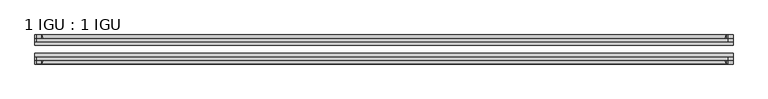
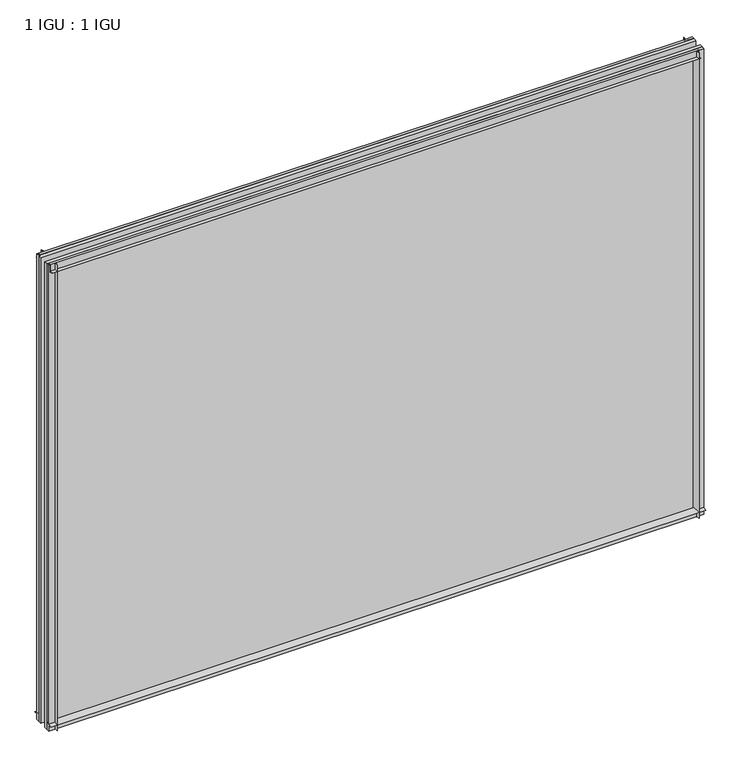
"""IFC4 building model written with IfcOpenShell, lengths in millimetres: plate geometry, 1 IGU : 1 IGU."""

from ifc_helpers import new_model, si_unit, point, frame, frame_2d, origin, place, context, project, spatial, polyline, circle_curve, trimmed, segment, composite_curve, outline, extrude, source, transform, mapped, element, save


def plate_1_igu_1_igu_4416955e(model_context):
    return source(origin(), model_context, "Body", "SweptSolid", [
        extrude(outline(composite_curve([segment(trimmed(circle_curve(frame_2d((-28.0741797, 32.2797688)), 32.7673262), [point((-44.45, 3.8979053))], [point((-33.7058, 1.48e-05))], True, "CARTESIAN"), True, "CONTINUOUS"), segment(polyline([(-33.7058, 1.48e-05), (-39.6748, 1.48e-05), (-39.6748, -10.31875), (-44.45, -10.31875), (-44.45, 3.8979053)]), True, "CONTINUOUS")], self_intersect=False)), frame((-563.5625, 0.0, 0.0), z_axis=(1.0, 0.0, 0.0), x_axis=(0.0, 1.0, 0.0)), (0.0, 0.0, 1.0), 1127.125),
        extrude(outline(composite_curve([segment(trimmed(circle_curve(frame_2d((-86.2258203, 32.2797602)), 32.7673262), [point((-80.5942354, 0.0))], [point((-69.85, 3.8978967))], True, "CARTESIAN"), True, "CONTINUOUS"), segment(polyline([(-69.85, 3.8978967), (-69.85, -10.31875), (-74.6252, -10.31875), (-74.6252, 0.0), (-80.5942354, 0.0)]), True, "CONTINUOUS")], self_intersect=False)), frame((-563.5625, 0.0, 0.0), z_axis=(1.0, 0.0, 0.0), x_axis=(0.0, 1.0, 0.0)), (0.0, 0.0, 1.0), 1127.125),
        extrude(outline(composite_curve([segment(polyline([(-80.5942, 825.5), (-74.6252, 825.5), (-74.6252, 836.6125), (-69.85, 836.6125), (-69.85, 821.6021095)]), True, "CONTINUOUS"), segment(trimmed(circle_curve(frame_2d((-86.2258203, 793.220246)), 32.7673262), [point((-69.85, 821.6021095))], [point((-80.5942, 825.5))], True, "CARTESIAN"), True, "CONTINUOUS")], self_intersect=False)), frame((-560.9627386, 0.0, 0.0), z_axis=(1.0, 0.0, 0.0), x_axis=(0.0, 1.0, 0.0)), (0.0, 0.0, 1.0), 1115.9587001),
        extrude(outline(composite_curve([segment(polyline([(-39.6748, 836.6125), (-39.6748, 825.5), (-33.7058, 825.5)]), True, "CONTINUOUS"), segment(trimmed(circle_curve(frame_2d((-28.0741797, 793.220246)), 32.7673262), [point((-33.7058, 825.5))], [point((-44.45, 821.6021095))], True, "CARTESIAN"), True, "CONTINUOUS"), segment(polyline([(-44.45, 821.6021095), (-44.45, 836.6125), (-39.6748, 836.6125)]), True, "CONTINUOUS")], self_intersect=False)), frame((-560.9627386, 0.0, 0.0), z_axis=(1.0, 0.0, 0.0), x_axis=(0.0, 1.0, 0.0)), (0.0, 0.0, 1.0), 1115.9587001),
        extrude(outline(composite_curve([segment(polyline([(563.5625, -39.6748), (563.5625, -44.45), (548.5521095, -44.45)]), True, "CONTINUOUS"), segment(trimmed(circle_curve(frame_2d((520.170246, -28.0741797)), 32.7673262), [point((548.5521095, -44.45))], [point((552.45, -33.7058))], True, "CARTESIAN"), True, "CONTINUOUS"), segment(polyline([(552.45, -33.7058), (552.45, -39.6748), (563.5625, -39.6748)]), True, "CONTINUOUS")], self_intersect=False)), frame((0.0, 0.0, -10.31875), z_axis=(0.0, 0.0, 1.0), x_axis=(1.0, 0.0, 0.0)), (0.0, 0.0, 1.0), 846.93125),
        extrude(outline(composite_curve([segment(polyline([(563.5625, -69.85), (563.5625, -74.6252), (552.45, -74.6252), (552.45, -80.5942)]), True, "CONTINUOUS"), segment(trimmed(circle_curve(frame_2d((520.170246, -86.2258203)), 32.7673262), [point((552.45, -80.5942))], [point((548.5521095, -69.85))], True, "CARTESIAN"), True, "CONTINUOUS"), segment(polyline([(548.5521095, -69.85), (563.5625, -69.85)]), True, "CONTINUOUS")], self_intersect=False)), frame((0.0, 0.0, -10.31875), z_axis=(0.0, 0.0, 1.0), x_axis=(1.0, 0.0, 0.0)), (0.0, 0.0, 1.0), 846.93125),
        extrude(outline(composite_curve([segment(polyline([(-563.5625, -39.6748), (-552.45, -39.6748), (-552.45, -33.7058)]), True, "CONTINUOUS"), segment(trimmed(circle_curve(frame_2d((-520.170246, -28.0741797)), 32.7673262), [point((-552.45, -33.7058))], [point((-548.5521095, -44.45))], True, "CARTESIAN"), True, "CONTINUOUS"), segment(polyline([(-548.5521095, -44.45), (-563.5625, -44.45), (-563.5625, -39.6748)]), True, "CONTINUOUS")], self_intersect=False)), frame((0.0, 0.0, -10.31875), z_axis=(0.0, 0.0, 1.0), x_axis=(1.0, 0.0, 0.0)), (0.0, 0.0, 1.0), 846.93125),
        extrude(outline(composite_curve([segment(polyline([(-563.5625, -74.6252), (-563.5625, -69.85), (-548.5521095, -69.85)]), True, "CONTINUOUS"), segment(trimmed(circle_curve(frame_2d((-520.170246, -86.2258203)), 32.7673262), [point((-548.5521095, -69.85))], [point((-552.45, -80.5942))], True, "CARTESIAN"), True, "CONTINUOUS"), segment(polyline([(-552.45, -80.5942), (-552.45, -74.6252), (-563.5625, -74.6252)]), True, "CONTINUOUS")], self_intersect=False)), frame((0.0, 0.0, -10.31875), z_axis=(0.0, 0.0, 1.0), x_axis=(1.0, 0.0, 0.0)), (0.0, 0.0, 1.0), 846.93125),
        extrude(outline(polyline([(-563.5625, -69.85), (-563.5625, -63.5508), (563.5625, -63.5508), (563.5625, -69.85), (-563.5625, -69.85)])), frame((0.0, 0.0, -10.31875), z_axis=(0.0, 0.0, 1.0), x_axis=(1.0, 0.0, 0.0)), (0.0, 0.0, 1.0), 846.93125),
        extrude(outline(polyline([(563.5625, -50.7492), (-563.5625, -50.7492), (-563.5625, -44.45), (563.5625, -44.45), (563.5625, -50.7492)])), frame((0.0, 0.0, -10.31875), z_axis=(0.0, 0.0, 1.0), x_axis=(1.0, 0.0, 0.0)), (0.0, 0.0, 1.0), 846.93125),
    ])


if __name__ == "__main__":
    model = new_model("IFC4")
    model_context = context("Model", 3, world=origin())
    ifc_project = project(units=[si_unit("LENGTHUNIT", "METRE", prefix="MILLI")], contexts=[model_context])
    site = spatial("IfcSite", under=ifc_project)
    building = spatial("IfcBuilding", under=site)
    placement = place(None, origin())
    plate_1_igu_1_igu_shape = plate_1_igu_1_igu_4416955e(model_context)
    element("IfcPlate", 1, ObjectType="1 IGU : 1 IGU", at=placement, inside=building, context=model_context, shape_type="MappedRepresentation", body=[
        mapped(plate_1_igu_1_igu_shape, transform((0.0, 0.0, 0.0), x_axis=(1.0, 0.0, 0.0), y_axis=(0.0, 1.0, 0.0), z_axis=(0.0, 0.0, 1.0))),
    ])
    save(model, "model.ifc")
